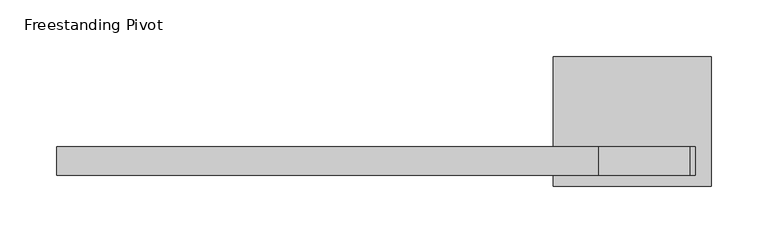
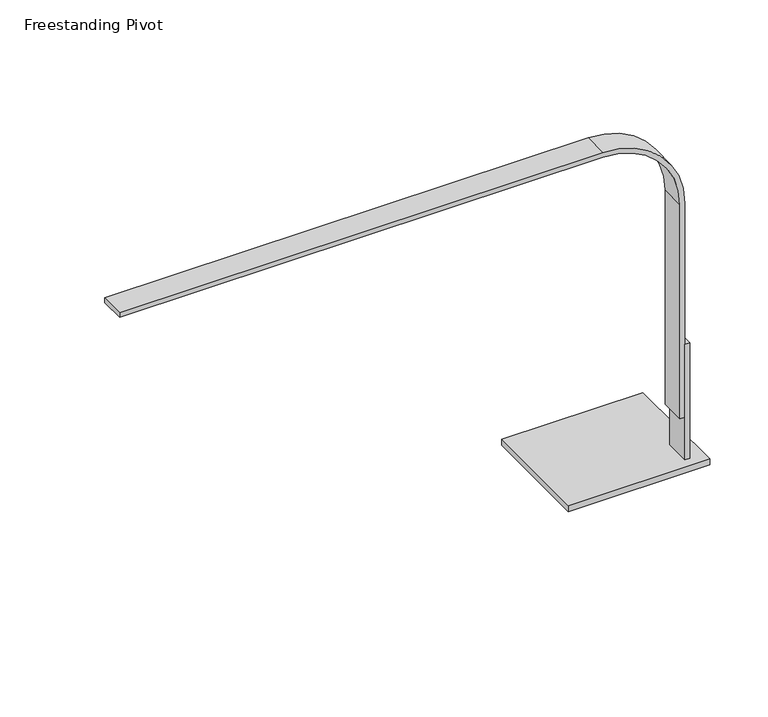
"""IFC4 building model written with IfcOpenShell, lengths in millimetres: light fixture geometry, Freestanding Pivot."""

from ifc_helpers import new_model, si_unit, point, frame, frame_2d, origin, place, context, project, spatial, polyline, circle_curve, trimmed, segment, composite_curve, outline, extrude, faceted_brep, source, transform, mapped, element, save


def freestanding_pivot_ed7937f6(model_context):
    return source(origin(), model_context, "Body", "SolidModel", [
        faceted_brep([(34.1911301, 236.9532085, 889.0), (29.4286301, 236.9532085, 889.0), (29.4286301, 211.5532085, 889.0), (34.1911301, 211.5532085, 889.0), (48.4786301, 316.3282085, 762.0), (48.4786301, 202.0282085, 762.0), (-91.2213699, 202.0282085, 762.0), (-91.2213699, 316.3282085, 762.0), (34.1911301, 211.5532085, 768.35), (34.1911301, 236.9532085, 768.35), (29.4286301, 211.5532085, 768.35), (29.4286301, 236.9532085, 768.35), (48.4786301, 316.3282085, 768.35), (-91.2213699, 316.3282085, 768.35), (-91.2213699, 202.0282085, 768.35), (48.4786301, 202.0282085, 768.35)], [[[0, 1, 2, 3]], [[4, 5, 6, 7]], [[0, 3, 8, 9]], [[3, 2, 10, 8]], [[2, 1, 11, 10]], [[1, 0, 9, 11]], [[12, 13, 14, 15], [9, 8, 10, 11]], [[13, 12, 4, 7]], [[14, 13, 7, 6]], [[15, 14, 6, 5]], [[12, 15, 5, 4]]]),
        extrude(outline(composite_curve([segment(polyline([(1117.6, -529.3713699), (1112.8375, -529.3713699), (1112.8375, -51.5338699)]), True, "CONTINUOUS"), segment(trimmed(circle_curve(frame_2d((1036.6375, -51.5338699)), 76.2), [point((1112.8375, -51.5338699))], [point((1036.6375, 24.6661301))], True, "CARTESIAN"), True, "CONTINUOUS"), segment(polyline([(1036.6375, 24.6661301), (812.8, 24.6661301), (812.8, 29.4286301), (1036.6375, 29.4286301)]), True, "CONTINUOUS"), segment(trimmed(circle_curve(frame_2d((1036.6375, -51.5338699)), 80.9625), [point((1036.6375, 29.4286301))], [point((1117.6, -51.5338699))], False, "CARTESIAN"), True, "CONTINUOUS"), segment(polyline([(1117.6, -51.5338699), (1117.6, -529.3713699)]), True, "CONTINUOUS")], self_intersect=False)), frame((0.0, 211.5532085, 0.0), z_axis=(0.0, 1.0, 0.0), x_axis=(0.0, 0.0, 1.0)), (0.0, 0.0, 1.0), 25.4),
    ])


if __name__ == "__main__":
    model = new_model("IFC4")
    model_context = context("Model", 3, world=origin())
    ifc_project = project(units=[si_unit("LENGTHUNIT", "METRE", prefix="MILLI")], contexts=[model_context])
    site = spatial("IfcSite", under=ifc_project)
    building = spatial("IfcBuilding", under=site)
    placement = place(None, origin())
    freestanding_pivot_shape = freestanding_pivot_ed7937f6(model_context)
    element("IfcLightFixture", 1, ObjectType="Freestanding Pivot", at=placement, inside=building, context=model_context, shape_type="MappedRepresentation", body=[
        mapped(freestanding_pivot_shape, transform((0.0, 0.0, 0.0), x_axis=(1.0, 0.0, 0.0), y_axis=(0.0, 1.0, 0.0), z_axis=(0.0, 0.0, 1.0))),
    ])
    save(model, "model.ifc")
